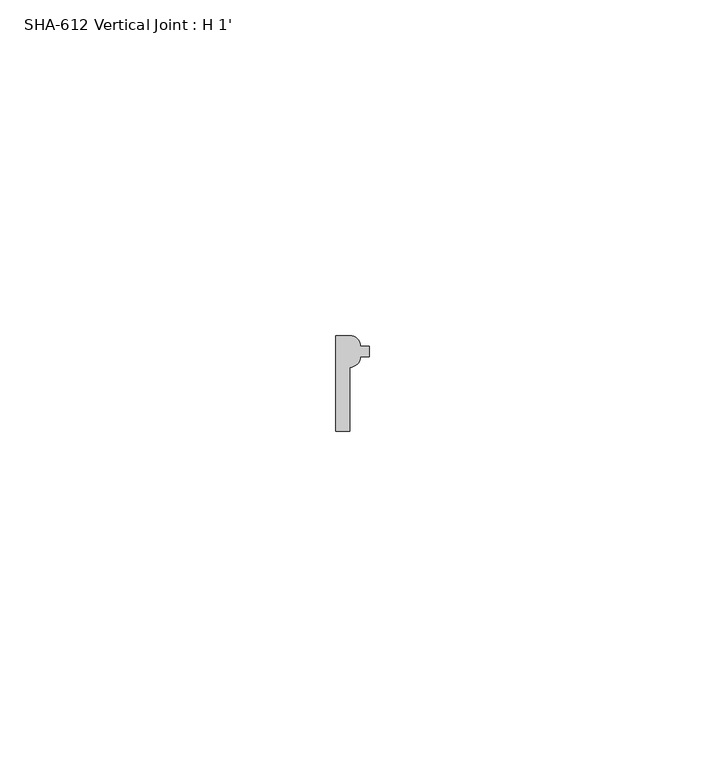
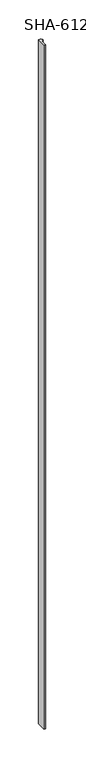
"""IFC4 building model written with IfcOpenShell, lengths in millimetres: proxy geometry, SHA-612 Vertical Joint : H 1'."""

from ifc_helpers import new_model, si_unit, point, frame_2d, origin, origin_with_axes, place, context, project, spatial, polyline, circle_curve, trimmed, segment, composite_curve, outline, extrude, source, transform, mapped, element, save


def sha_612_vertical_joint_h_1_cb964bfa(model_context):
    return source(origin(), model_context, "Body", "SweptSolid", [
        extrude(outline(composite_curve([segment(trimmed(circle_curve(frame_2d((2.1336, 11.0998)), 1.5748), [point((3.7084, 11.0998))], [point((2.1336, 9.525))], False, "CARTESIAN"), True, "CONTINUOUS"), segment(polyline([(2.1336, 9.525), (2.1336, 0.0), (0.0, 0.0), (0.0, 14.2494), (2.1336, 14.2494)]), True, "CONTINUOUS"), segment(trimmed(circle_curve(frame_2d((2.1336, 12.6746)), 1.5748), [point((2.1336, 14.2494))], [point((3.7084, 12.6746))], False, "CARTESIAN"), True, "CONTINUOUS"), segment(polyline([(3.7084, 12.6746), (5.03555, 12.6746), (5.03555, 11.8872), (5.03555, 11.0998), (3.7084, 11.0998)]), True, "CONTINUOUS")], self_intersect=False)), origin_with_axes(), (0.0, 0.0, 1.0), 1076.325),
    ])


if __name__ == "__main__":
    model = new_model("IFC4")
    model_context = context("Model", 3, world=origin())
    ifc_project = project(units=[si_unit("LENGTHUNIT", "METRE", prefix="MILLI")], contexts=[model_context])
    site = spatial("IfcSite", under=ifc_project)
    building = spatial("IfcBuilding", under=site)
    placement = place(None, origin())
    sha_612_vertical_joint_h_1_shape = sha_612_vertical_joint_h_1_cb964bfa(model_context)
    element("IfcBuildingElementProxy", 1, Name="SHA-612 Vertical Joint : H 1'", ObjectType="SHA-612 Vertical Joint : H 1'", at=placement, inside=building, context=model_context, shape_type="MappedRepresentation", body=[
        mapped(sha_612_vertical_joint_h_1_shape, transform((0.0, 0.0, 0.0), x_axis=(1.0, 0.0, 0.0), y_axis=(0.0, 1.0, 0.0), z_axis=(0.0, 0.0, 1.0))),
    ])
    save(model, "model.ifc")
